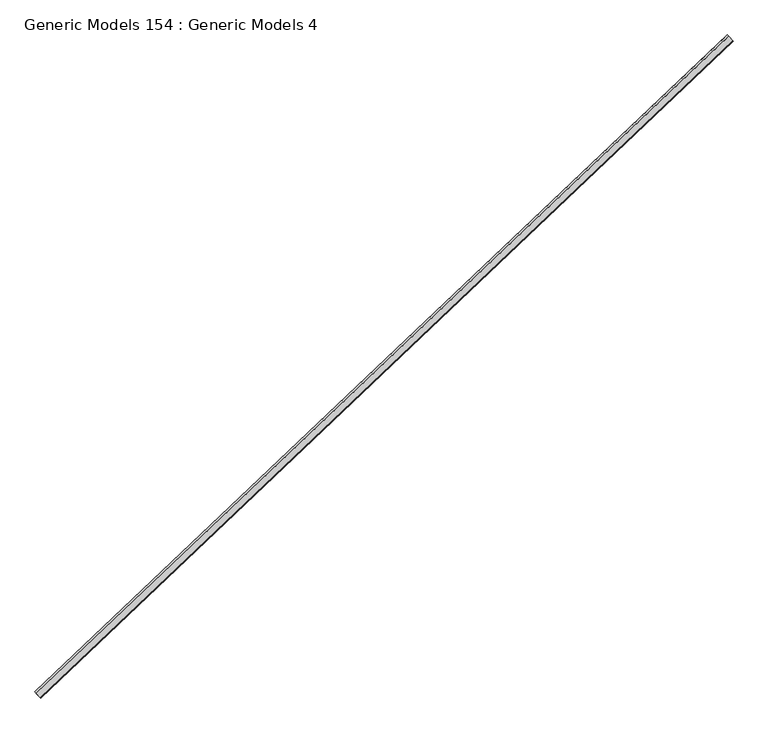
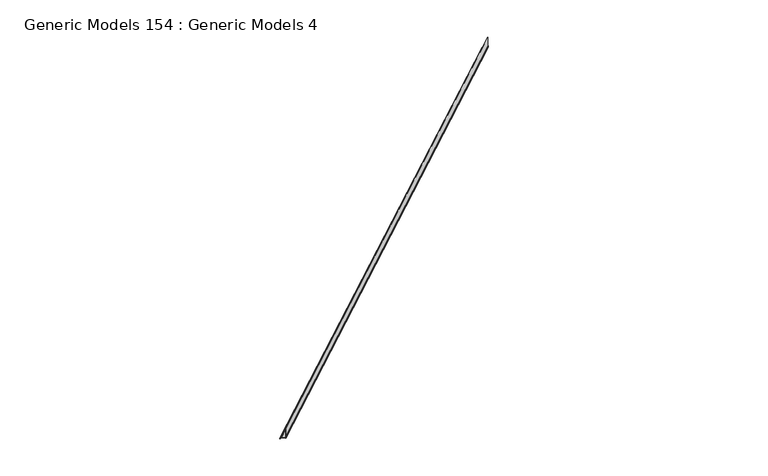
"""IFC4 building model written with IfcOpenShell, lengths in millimetres: proxy geometry, Generic Models 154 : Generic Models 4."""

from ifc_helpers import new_model, si_unit, point, frame, frame_2d, origin, place, context, project, spatial, polyline, circle_curve, trimmed, segment, composite_curve, outline, extrude, source, transform, mapped, element, save


def generic_models_154_generic_models_4_da7c20b3(model_context):
    return source(origin(), model_context, "Body", "SweptSolid", [
        extrude(outline(composite_curve([segment(polyline([(1.6101817, -2.4014393), (29.6832293, -3.3817718)]), True, "CONTINUOUS"), segment(trimmed(circle_curve(frame_2d((29.6260367, -5.0195514)), 1.638778), [point((29.6832293, -3.3817718))], [point((30.7848277, -3.8607604))], False, "CARTESIAN"), True, "CONTINUOUS"), segment(polyline([(30.7848277, -3.8607604), (39.020518, -12.0964506)]), True, "CONTINUOUS"), segment(trimmed(circle_curve(frame_2d((39.3102157, -11.8067528)), 0.4096945), [point((39.020518, -12.0964506))], [point((39.5999135, -11.5170551))], True, "CARTESIAN"), True, "CONTINUOUS"), segment(polyline([(39.5999135, -11.5170551), (30.6795334, -2.596675), (3.2203634, -1.6377797)]), True, "CONTINUOUS"), segment(trimmed(circle_curve(frame_2d((3.2775559, 0.0)), 1.638778), [point((3.2203634, -1.6377797))], [point((1.638778, 0.0))], False, "CARTESIAN"), True, "CONTINUOUS"), segment(polyline([(1.638778, 0.0), (1.638778, 75.6308046), (2.4581669, 75.6308046), (2.4581669, 0.0)]), True, "CONTINUOUS"), segment(trimmed(circle_curve(frame_2d((3.2775559, 0.0)), 0.819389), [point((2.4581669, 0.0))], [point((3.2489596, -0.8188899))], True, "CARTESIAN"), True, "CONTINUOUS"), segment(polyline([(3.2489596, -0.8188899), (30.3855604, -1.7665208)]), True, "CONTINUOUS"), segment(trimmed(circle_curve(frame_2d((30.3283679, -3.4043005)), 1.638778), [point((30.3855604, -1.7665208))], [point((31.4871589, -2.2455095))], False, "CARTESIAN"), True, "CONTINUOUS"), segment(polyline([(31.4871589, -2.2455095), (40.179309, -10.9376596)]), True, "CONTINUOUS"), segment(trimmed(circle_curve(frame_2d((39.3102157, -11.8067528)), 1.2290835), [point((40.179309, -10.9376596))], [point((38.4411225, -12.6758461))], False, "CARTESIAN"), True, "CONTINUOUS"), segment(polyline([(38.4411225, -12.6758461), (29.9772023, -4.2119259), (1.5815854, -3.2203292)]), True, "CONTINUOUS"), segment(trimmed(circle_curve(frame_2d((1.638778, -1.5825495)), 1.638778), [point((1.5815854, -3.2203292))], [point((0.0, -1.5825495))], False, "CARTESIAN"), True, "CONTINUOUS"), segment(polyline([(0.0, -1.5825495), (0.0, 10.0334912), (0.819389, 10.0334912), (0.819389, -1.5825495)]), True, "CONTINUOUS"), segment(trimmed(circle_curve(frame_2d((1.638778, -1.5825495)), 0.819389), [point((0.819389, -1.5825495))], [point((1.6101817, -2.4014393))], True, "CARTESIAN"), True, "CONTINUOUS")], self_intersect=False)), frame((101215.294658, 55768.8509277, 17497.1649372), z_axis=(0.725374371012262, 0.6883545756937811, 0.0), x_axis=(-0.6883545756937811, 0.725374371012262, 0.0)), (0.0, 0.0, 1.0), 4530.725),
    ])


if __name__ == "__main__":
    model = new_model("IFC4")
    model_context = context("Model", 3, world=origin())
    ifc_project = project(units=[si_unit("LENGTHUNIT", "METRE", prefix="MILLI")], contexts=[model_context])
    site = spatial("IfcSite", under=ifc_project)
    building = spatial("IfcBuilding", under=site)
    placement = place(None, origin())
    generic_models_154_generic_models_4_shape = generic_models_154_generic_models_4_da7c20b3(model_context)
    element("IfcBuildingElementProxy", 1, Name="Generic Models 154 : Generic Models 4", ObjectType="Generic Models 154 : Generic Models 4", at=placement, inside=building, context=model_context, shape_type="MappedRepresentation", body=[
        mapped(generic_models_154_generic_models_4_shape, transform((0.0, 0.0, 0.0), x_axis=(1.0, 0.0, 0.0), y_axis=(0.0, 1.0, 0.0), z_axis=(0.0, 0.0, 1.0))),
    ])
    save(model, "model.ifc")
